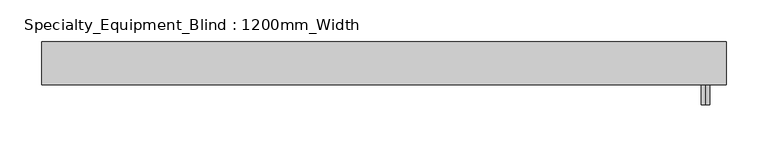
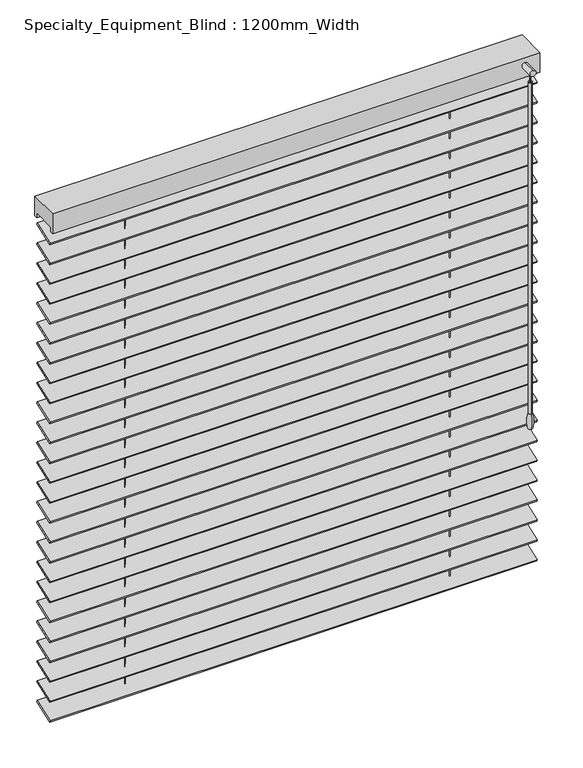
"""IFC4 building model written with IfcOpenShell, lengths in millimetres: proxy geometry, Specialty_Equipment_Blind : 1200mm_Width."""

from ifc_helpers import new_model, si_unit, point, frame, frame_2d, origin, place, context, project, spatial, polyline, circle_curve, ellipse_curve, trimmed, segment, composite_curve, outline, extrude, source, transform, mapped, element, save
from ifc_brep_helpers import plane_surface, cylinder_surface, revolved_surface, advanced_brep


def specialty_equipment_blind_1200mm_width_937dd16b(model_context):
    return source(origin(), model_context, "Body", "SolidModel", [
        extrude(outline(polyline([(0.0, -40.0), (0.0, 0.0), (820.0, 0.0), (820.0, -40.0), (0.0, -40.0)])), frame((-259.5079376, 65.0532351, 2028.5458951), z_axis=(0.0, -0.3420201433256684, 0.9396926207859085), x_axis=(1.0, 0.0, 0.0)), (0.0, 0.0, 1.0), 3.0625345),
        extrude(outline(polyline([(0.0, -40.0), (0.0, 0.0), (820.0, 0.0), (820.0, -40.0), (0.0, -40.0)])), frame((-259.5079376, 65.0532351, 1993.1292285), z_axis=(0.0, -0.3420201433256684, 0.9396926207859085), x_axis=(1.0, 0.0, 0.0)), (0.0, 0.0, 1.0), 3.0625345),
        extrude(outline(polyline([(0.0, -40.0), (0.0, 0.0), (820.0, 0.0), (820.0, -40.0), (0.0, -40.0)])), frame((-259.5079376, 65.0532351, 1957.7125618), z_axis=(0.0, -0.3420201433256684, 0.9396926207859085), x_axis=(1.0, 0.0, 0.0)), (0.0, 0.0, 1.0), 3.0625345),
        extrude(outline(polyline([(0.0, -40.0), (0.0, 0.0), (820.0, 0.0), (820.0, -40.0), (0.0, -40.0)])), frame((-259.5079376, 65.0532351, 1922.2958951), z_axis=(0.0, -0.3420201433256684, 0.9396926207859085), x_axis=(1.0, 0.0, 0.0)), (0.0, 0.0, 1.0), 3.0625345),
        extrude(outline(polyline([(0.0, -40.0), (0.0, 0.0), (820.0, 0.0), (820.0, -40.0), (0.0, -40.0)])), frame((-259.5079376, 65.0532351, 1886.8792285), z_axis=(0.0, -0.3420201433256684, 0.9396926207859085), x_axis=(1.0, 0.0, 0.0)), (0.0, 0.0, 1.0), 3.0625345),
        extrude(outline(polyline([(0.0, -40.0), (0.0, 0.0), (820.0, 0.0), (820.0, -40.0), (0.0, -40.0)])), frame((-259.5079376, 65.0532351, 1851.4625618), z_axis=(0.0, -0.3420201433256684, 0.9396926207859085), x_axis=(1.0, 0.0, 0.0)), (0.0, 0.0, 1.0), 3.0625345),
        extrude(outline(polyline([(0.0, -40.0), (0.0, 0.0), (820.0, 0.0), (820.0, -40.0), (0.0, -40.0)])), frame((-259.5079376, 65.0532351, 1816.0458951), z_axis=(0.0, -0.3420201433256684, 0.9396926207859085), x_axis=(1.0, 0.0, 0.0)), (0.0, 0.0, 1.0), 3.0625345),
        extrude(outline(polyline([(0.0, -40.0), (0.0, 0.0), (820.0, 0.0), (820.0, -40.0), (0.0, -40.0)])), frame((-259.5079376, 65.0532351, 1780.6292285), z_axis=(0.0, -0.3420201433256684, 0.9396926207859085), x_axis=(1.0, 0.0, 0.0)), (0.0, 0.0, 1.0), 3.0625345),
        extrude(outline(polyline([(0.0, -40.0), (0.0, 0.0), (820.0, 0.0), (820.0, -40.0), (0.0, -40.0)])), frame((-259.5079376, 65.0532351, 1745.2125618), z_axis=(0.0, -0.3420201433256684, 0.9396926207859085), x_axis=(1.0, 0.0, 0.0)), (0.0, 0.0, 1.0), 3.0625345),
        extrude(outline(polyline([(0.0, -40.0), (0.0, 0.0), (820.0, 0.0), (820.0, -40.0), (0.0, -40.0)])), frame((-259.5079376, 65.0532351, 1709.7958951), z_axis=(0.0, -0.3420201433256684, 0.9396926207859085), x_axis=(1.0, 0.0, 0.0)), (0.0, 0.0, 1.0), 3.0625345),
        extrude(outline(polyline([(0.0, -40.0), (0.0, 0.0), (820.0, 0.0), (820.0, -40.0), (0.0, -40.0)])), frame((-259.5079376, 65.0532351, 1674.3792285), z_axis=(0.0, -0.3420201433256684, 0.9396926207859085), x_axis=(1.0, 0.0, 0.0)), (0.0, 0.0, 1.0), 3.0625345),
        extrude(outline(polyline([(0.0, -40.0), (0.0, 0.0), (820.0, 0.0), (820.0, -40.0), (0.0, -40.0)])), frame((-259.5079376, 65.0532351, 1638.9625618), z_axis=(0.0, -0.3420201433256684, 0.9396926207859085), x_axis=(1.0, 0.0, 0.0)), (0.0, 0.0, 1.0), 3.0625345),
        extrude(outline(polyline([(0.0, -40.0), (0.0, 0.0), (820.0, 0.0), (820.0, -40.0), (0.0, -40.0)])), frame((-259.5079376, 65.0532351, 1603.5458951), z_axis=(0.0, -0.3420201433256684, 0.9396926207859085), x_axis=(1.0, 0.0, 0.0)), (0.0, 0.0, 1.0), 3.0625345),
        extrude(outline(polyline([(0.0, -40.0), (0.0, 0.0), (820.0, 0.0), (820.0, -40.0), (0.0, -40.0)])), frame((-259.5079376, 65.0532351, 1568.1292285), z_axis=(0.0, -0.3420201433256684, 0.9396926207859085), x_axis=(1.0, 0.0, 0.0)), (0.0, 0.0, 1.0), 3.0625345),
        extrude(outline(polyline([(0.0, -40.0), (0.0, 0.0), (820.0, 0.0), (820.0, -40.0), (0.0, -40.0)])), frame((-259.5079376, 65.0532351, 1532.7125618), z_axis=(0.0, -0.3420201433256684, 0.9396926207859085), x_axis=(1.0, 0.0, 0.0)), (0.0, 0.0, 1.0), 3.0625345),
        extrude(outline(polyline([(0.0, -40.0), (0.0, 0.0), (820.0, 0.0), (820.0, -40.0), (0.0, -40.0)])), frame((-259.5079376, 65.0532351, 1497.2958951), z_axis=(0.0, -0.3420201433256684, 0.9396926207859085), x_axis=(1.0, 0.0, 0.0)), (0.0, 0.0, 1.0), 3.0625345),
        extrude(outline(polyline([(0.0, -40.0), (0.0, 0.0), (820.0, 0.0), (820.0, -40.0), (0.0, -40.0)])), frame((-259.5079376, 65.0532351, 1461.8792285), z_axis=(0.0, -0.3420201433256684, 0.9396926207859085), x_axis=(1.0, 0.0, 0.0)), (0.0, 0.0, 1.0), 3.0625345),
        extrude(outline(polyline([(0.0, -40.0), (0.0, 0.0), (820.0, 0.0), (820.0, -40.0), (0.0, -40.0)])), frame((-259.5079376, 65.0532351, 1426.4625618), z_axis=(0.0, -0.3420201433256684, 0.9396926207859085), x_axis=(1.0, 0.0, 0.0)), (0.0, 0.0, 1.0), 3.0625345),
        extrude(outline(polyline([(0.0, -40.0), (0.0, 0.0), (820.0, 0.0), (820.0, -40.0), (0.0, -40.0)])), frame((-259.5079376, 65.0532351, 1391.0458951), z_axis=(0.0, -0.3420201433256684, 0.9396926207859085), x_axis=(1.0, 0.0, 0.0)), (0.0, 0.0, 1.0), 3.0625345),
        extrude(outline(polyline([(0.0, -40.0), (0.0, 0.0), (820.0, 0.0), (820.0, -40.0), (0.0, -40.0)])), frame((-259.5079376, 65.0532351, 1355.6292285), z_axis=(0.0, -0.3420201433256684, 0.9396926207859085), x_axis=(1.0, 0.0, 0.0)), (0.0, 0.0, 1.0), 3.0625345),
        extrude(outline(polyline([(0.0, -40.0), (0.0, 0.0), (820.0, 0.0), (820.0, -40.0), (0.0, -40.0)])), frame((-259.5079376, 65.0532351, 1320.2125618), z_axis=(0.0, -0.3420201433256684, 0.9396926207859085), x_axis=(1.0, 0.0, 0.0)), (0.0, 0.0, 1.0), 3.0625345),
        extrude(outline(polyline([(0.0, -40.0), (0.0, 0.0), (820.0, 0.0), (820.0, -40.0), (0.0, -40.0)])), frame((-259.5079376, 65.0532351, 1284.7958951), z_axis=(0.0, -0.3420201433256684, 0.9396926207859085), x_axis=(1.0, 0.0, 0.0)), (0.0, 0.0, 1.0), 3.0625345),
        extrude(outline(polyline([(0.0, -40.0), (0.0, 0.0), (820.0, 0.0), (820.0, -40.0), (0.0, -40.0)])), frame((-259.5079376, 65.0532351, 1249.3792285), z_axis=(0.0, -0.3420201433256684, 0.9396926207859085), x_axis=(1.0, 0.0, 0.0)), (0.0, 0.0, 1.0), 3.0625345),
        extrude(outline(polyline([(0.0, -40.0), (0.0, 0.0), (820.0, 0.0), (820.0, -40.0), (0.0, -40.0)])), frame((-259.5079376, 65.0532351, 2063.9625618), z_axis=(0.0, -0.3420201433256684, 0.9396926207859085), x_axis=(1.0, 0.0, 0.0)), (0.0, 0.0, 1.0), 3.0625345),
        extrude(outline(polyline([(0.0, -40.0), (0.0, 0.0), (820.0, 0.0), (820.0, -40.0), (0.0, -40.0)])), frame((-259.5079376, 65.0532351, 1213.9625618), z_axis=(0.0, -0.3420201433256684, 0.9396926207859085), x_axis=(1.0, 0.0, 0.0)), (0.0, 0.0, 1.0), 3.0625345),
        extrude(outline(composite_curve([segment(trimmed(circle_curve(frame_2d((-122.8412709, 45.2119342)), 0.5), [point((-123.3412709, 45.2119342))], [point((-122.3412709, 45.2119342))], False, "CARTESIAN"), True, "CONTINUOUS"), segment(trimmed(circle_curve(frame_2d((-122.8412709, 45.2119342)), 0.5), [point((-122.3412709, 45.2119342))], [point((-123.3412709, 45.2119342))], False, "CARTESIAN"), True, "CONTINUOUS")], self_intersect=False)), frame((0.0, 0.0, 1210.0), z_axis=(0.0, 0.0, 1.0), x_axis=(1.0, 0.0, 0.0)), (0.0, 0.0, 1.0), 873.2448883),
        extrude(outline(composite_curve([segment(trimmed(circle_curve(frame_2d((423.8253958, 45.2119342)), 0.5), [point((423.3253958, 45.2119342))], [point((424.3253958, 45.2119342))], False, "CARTESIAN"), True, "CONTINUOUS"), segment(trimmed(circle_curve(frame_2d((423.8253958, 45.2119342)), 0.5), [point((424.3253958, 45.2119342))], [point((423.3253958, 45.2119342))], False, "CARTESIAN"), True, "CONTINUOUS")], self_intersect=False)), frame((0.0, 0.0, 1210.0), z_axis=(0.0, 0.0, 1.0), x_axis=(1.0, 0.0, 0.0)), (0.0, 0.0, 1.0), 873.2448883),
        advanced_brep(
        [(535.4920624, 4.7248495, 2091.3243671), (535.4920624, 2.7248495, 2091.3243671), (535.4920624, 3.7248495, 2091.3243671), (535.4920624, 4.7248495, 2076.3243671), (535.4920624, 2.7248495, 2076.3243671), (535.4920624, 6.7248495, 2076.3243671), (535.4920624, 0.7248495, 2076.3243671), (535.4920624, 6.7248495, 1486.909931), (535.4920624, 0.7248495, 1486.909931), (535.4920624, 7.2513368, 1460.0), (535.4920624, 0.1983622, 1460.0), (535.4920624, 3.7248495, 1460.0)],
        [
            (0, 1, circle_curve(frame((535.4920624, 3.7248495, 2091.3243671), z_axis=(0.0, 0.0, 1.0), x_axis=(0.0, -1.0, 0.0)), 1.0)),
            (1, 2),
            (2, 0),
            (1, 0, circle_curve(frame((535.4920624, 3.7248495, 2091.3243671), z_axis=(0.0, 0.0, 1.0), x_axis=(0.0, -1.0, 0.0)), 1.0)),
            (3, 4, circle_curve(frame((535.4920624, 3.7248495, 2076.3243671), z_axis=(0.0, 0.0, 1.0), x_axis=(0.0, -1.0, 0.0)), 1.0)),
            (4, 1),
            (0, 3),
            (4, 3, circle_curve(frame((535.4920624, 3.7248495, 2076.3243671), z_axis=(0.0, 0.0, 1.0), x_axis=(0.0, -1.0, 0.0)), 1.0)),
            (5, 6, circle_curve(frame((535.4920624, 3.7248495, 2076.3243671), z_axis=(0.0, 0.0, 1.0), x_axis=(0.0, -1.0, 0.0)), 3.0)),
            (6, 4),
            (3, 5),
            (6, 5, circle_curve(frame((535.4920624, 3.7248495, 2076.3243671), z_axis=(0.0, 0.0, 1.0), x_axis=(0.0, -1.0, 0.0)), 3.0)),
            (7, 8, circle_curve(frame((535.4920624, 3.7248495, 1486.909931), z_axis=(0.0, 0.0, 1.0), x_axis=(0.0, -1.0, 0.0)), 3.0)),
            (8, 6),
            (5, 7),
            (8, 7, circle_curve(frame((535.4920624, 3.7248495, 1486.909931), z_axis=(0.0, 0.0, 1.0), x_axis=(0.0, -1.0, 0.0)), 3.0)),
            (9, 10, circle_curve(frame((535.4920624, 3.7248495, 1460.0), z_axis=(0.0, 0.0, 1.0), x_axis=(0.0, -1.0, 0.0)), 3.5264873)),
            (10, 8, circle_curve(frame((535.4920624, 49.2720063, 1472.5), z_axis=(-1.0, 0.0, 0.0), x_axis=(0.0, 1.0, 0.0)), 50.6406214)),
            (7, 9, circle_curve(frame((535.4920624, -41.8223072, 1472.5), z_axis=(-1.0, 0.0, 0.0), x_axis=(0.0, -1.0, 0.0)), 50.6406214)),
            (10, 9, circle_curve(frame((535.4920624, 3.7248495, 1460.0), z_axis=(0.0, 0.0, 1.0), x_axis=(0.0, -1.0, 0.0)), 3.5264873)),
            (11, 10),
            (9, 11),
        ],
        [
            plane_surface(frame((535.4920624, 3.7248495, 2091.3243671), z_axis=(0.0, 0.0, 1.0), x_axis=(0.0, -1.0, 0.0))),
            cylinder_surface(frame((535.4920624, 3.7248495, 1191.3243671), z_axis=(0.0, 0.0, -1.0), x_axis=(0.0, -1.0, 0.0)), 1.0),
            plane_surface(frame((535.4920624, 3.7248495, 2076.3243671), z_axis=(0.0, 0.0, 1.0), x_axis=(0.0, -1.0, 0.0))),
            cylinder_surface(frame((535.4920624, 3.7248495, 1191.3243671), z_axis=(0.0, 0.0, -1.0), x_axis=(0.0, -1.0, 0.0)), 3.0),
            revolved_surface(trimmed(ellipse_curve(frame((535.4920624, 49.2720063, 1472.5), z_axis=(1.0, 0.0, 0.0), x_axis=(0.0, 1.0, 0.0)), 50.6406214, 50.6406214), [point((535.4920624, 0.7248495, 1486.909931))], [point((535.4920624, 0.1983622, 1460.0))], True, "CARTESIAN"), (535.4920624, 3.7248495, 1191.3243671), (0.0, 0.0, -1.0)),
            plane_surface(frame((535.4920624, 3.7248495, 1460.0), z_axis=(0.0, 0.0, -1.0), x_axis=(0.0, -1.0, 0.0))),
        ],
        [
            (0, [[1, 2, 3]]),
            (0, [[4, -3, -2]]),
            (1, [[5, 6, -1, 7]]),
            (1, [[8, -7, -4, -6]]),
            (2, [[9, 10, -5, 11]]),
            (2, [[12, -11, -8, -10]]),
            (3, [[13, 14, -9, 15]]),
            (3, [[16, -15, -12, -14]]),
            (4, [[17, 18, -13, 19]]),
            (4, [[20, -19, -16, -18]]),
            (5, [[21, -17, 22]]),
            (5, [[-22, -20, -21]]),
        ],
    ),
        extrude(outline(composite_curve([segment(trimmed(circle_curve(frame_2d((2095.9171213, 535.4920624)), 5.0), [point((2100.9171213, 535.4920624))], [point((2090.9171213, 535.4920624))], False, "CARTESIAN"), True, "CONTINUOUS"), segment(trimmed(circle_curve(frame_2d((2095.9171213, 535.4920624)), 5.0), [point((2090.9171213, 535.4920624))], [point((2100.9171213, 535.4920624))], False, "CARTESIAN"), True, "CONTINUOUS")], self_intersect=False)), frame((0.0, -4.4512463, 0.0), z_axis=(0.0, 1.0, 0.0), x_axis=(0.0, 0.0, 1.0)), (0.0, 0.0, 1.0), 23.7809602),
        extrude(outline(polyline([(19.329714, 2110.0), (71.0941545, 2110.0), (71.0941545, 2075.0), (66.0941545, 2075.0), (66.0941545, 2083.2448883), (24.329714, 2083.2448883), (24.329714, 2075.0), (19.329714, 2075.0), (19.329714, 2110.0)])), frame((-259.5079376, 0.0, 0.0), z_axis=(1.0, 0.0, 0.0), x_axis=(0.0, 1.0, 0.0)), (0.0, 0.0, 1.0), 820.0),
    ])


if __name__ == "__main__":
    model = new_model("IFC4")
    model_context = context("Model", 3, world=origin())
    ifc_project = project(units=[si_unit("LENGTHUNIT", "METRE", prefix="MILLI")], contexts=[model_context])
    site = spatial("IfcSite", under=ifc_project)
    building = spatial("IfcBuilding", under=site)
    placement = place(None, origin())
    specialty_equipment_blind_1200mm_width_shape = specialty_equipment_blind_1200mm_width_937dd16b(model_context)
    element("IfcBuildingElementProxy", 1, Name="Specialty_Equipment_Blind : 1200mm_Width", ObjectType="Specialty_Equipment_Blind : 1200mm_Width", at=placement, inside=building, context=model_context, shape_type="MappedRepresentation", body=[
        mapped(specialty_equipment_blind_1200mm_width_shape, transform((0.0, 0.0, 0.0), x_axis=(1.0, 0.0, 0.0), y_axis=(0.0, 1.0, 0.0), z_axis=(0.0, 0.0, 1.0))),
    ])
    save(model, "model.ifc")
